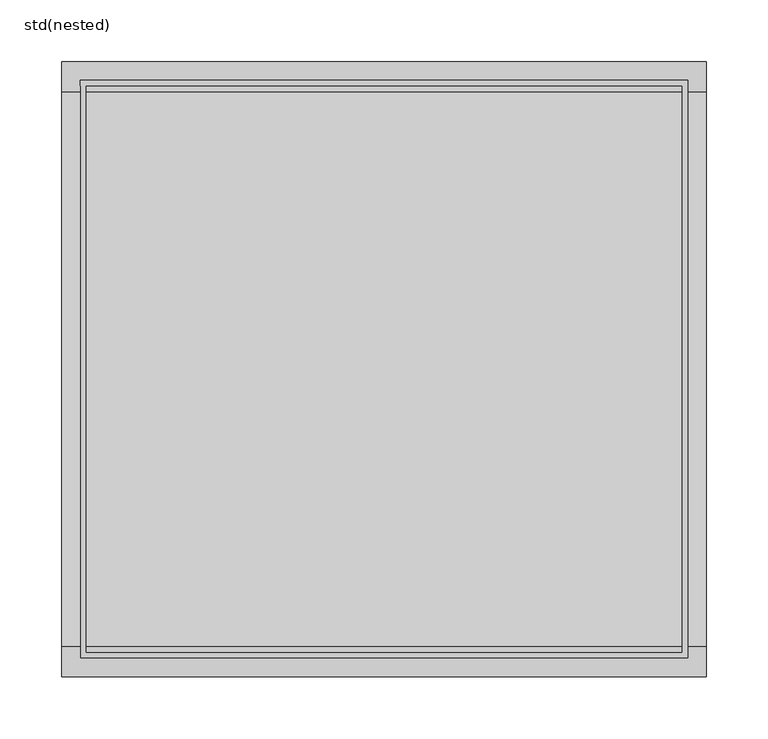
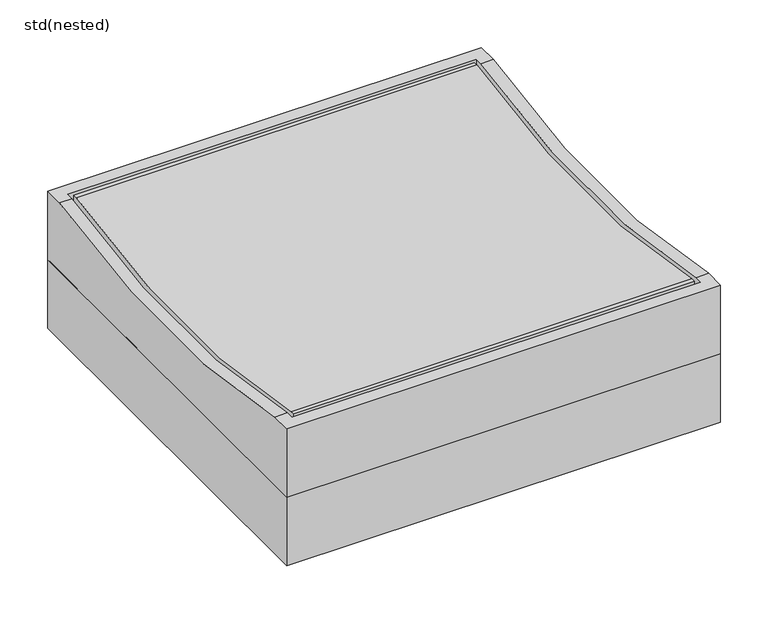
"""IFC4 building model written with IfcOpenShell, lengths in millimetres: sanitary terminal geometry, std(nested)."""

from ifc_helpers import new_model, si_unit, frame, origin, place, context, project, spatial, polyline, circle_curve, source, transform, mapped, element, save
from ifc_brep_helpers import plane_surface, cylinder_surface, revolved_surface, advanced_brep


def std_nested_b4cec3c0(model_context):
    return source(origin(), model_context, "Body", "AdvancedBrep", [
        advanced_brep(
        [(262.0, 250.0, -87.5), (262.0, -250.0, -87.5), (-262.0, -250.0, -87.5), (-262.0, 250.0, -87.5), (247.0, 235.0, -87.5), (-247.0, 235.0, -87.5), (-247.0, -235.0, -87.5), (247.0, -235.0, -87.5), (262.0, 250.0, 0.0), (-262.0, 250.0, 0.0), (-262.0, 225.5, 0.0), (-247.0, 225.5, 0.0), (-247.0, 235.0, 0.0), (247.0, 235.0, 0.0), (247.0, 225.5, 0.0), (262.0, 225.5, 0.0), (-262.0, -250.0, 0.0), (262.0, -250.0, 0.0), (262.0, -225.5, 0.0), (247.0, -225.5, 0.0), (247.0, -235.0, 0.0), (-247.0, -235.0, 0.0), (-247.0, -225.5, 0.0), (-262.0, -225.5, 0.0)],
        [
            (0, 1),
            (1, 2),
            (2, 3),
            (3, 0),
            (4, 5),
            (5, 6),
            (6, 7),
            (7, 4),
            (8, 9),
            (9, 10),
            (10, 11),
            (11, 12),
            (12, 13),
            (13, 14),
            (14, 15),
            (15, 8),
            (16, 17),
            (17, 18),
            (18, 19),
            (19, 20),
            (20, 21),
            (21, 22),
            (22, 23),
            (23, 16),
            (3, 9),
            (8, 0),
            (2, 16),
            (23, 10, circle_curve(frame((-262.0, 0.0, 984.5847035), z_axis=(1.0, 0.0, 0.0), x_axis=(0.0, 1.0, 0.0)), 1010.0778626)),
            (1, 17),
            (15, 18, circle_curve(frame((262.0, 0.0, 984.5847035), z_axis=(-1.0, 0.0, 0.0), x_axis=(0.0, 1.0, 0.0)), 1010.0778626)),
            (22, 11, circle_curve(frame((-247.0, 0.0, 984.5847035), z_axis=(1.0, 0.0, 0.0), x_axis=(0.0, 1.0, 0.0)), 1010.0778626)),
            (14, 19, circle_curve(frame((247.0, 0.0, 984.5847035), z_axis=(-1.0, 0.0, 0.0), x_axis=(0.0, 1.0, 0.0)), 1010.0778626)),
            (4, 13),
            (12, 5),
            (21, 6),
            (20, 7),
        ],
        [
            plane_surface(frame((-262.0, 250.0, -87.5), z_axis=(0.0, 0.0, -1.0), x_axis=(1.0, 0.0, 0.0))),
            plane_surface(frame((-262.0, 250.0, 0.0), z_axis=(0.0, 0.0, 1.0), x_axis=(-1.0, 0.0, 0.0))),
            plane_surface(frame((262.0, 250.0, 0.0), z_axis=(0.0, 1.0, 0.0), x_axis=(0.0, 0.0, -1.0))),
            plane_surface(frame((-262.0, 250.0, 0.0), z_axis=(-1.0, 0.0, 0.0), x_axis=(0.0, 0.0, -1.0))),
            plane_surface(frame((-262.0, -250.0, 0.0), z_axis=(0.0, -1.0, 0.0), x_axis=(0.0, 0.0, -1.0))),
            plane_surface(frame((262.0, -250.0, 0.0), z_axis=(1.0, 0.0, 0.0), x_axis=(0.0, 0.0, -1.0))),
            revolved_surface(polyline([(-247.0, 1010.0778626, 984.5847035), (-262.0, 1010.0778626, 984.5847035)]), (-277.1771208, 0.0, 984.5847035), (1.0, 0.0, 0.0)),
            revolved_surface(polyline([(262.0, 1010.0778626, 984.5847035), (247.0, 1010.0778626, 984.5847035)]), (-277.1771208, 0.0, 984.5847035), (1.0, 0.0, 0.0)),
            plane_surface(frame((247.0, 235.0, 0.5), z_axis=(0.0, -1.0, 0.0), x_axis=(0.0, 0.0, -1.0))),
            plane_surface(frame((-247.0, 235.0, 0.5), z_axis=(1.0, 0.0, 0.0), x_axis=(0.0, 0.0, -1.0))),
            plane_surface(frame((-247.0, -235.0, 0.5), z_axis=(0.0, 1.0, 0.0), x_axis=(0.0, 0.0, -1.0))),
            plane_surface(frame((247.0, -235.0, 0.5), z_axis=(-1.0, 0.0, 0.0), x_axis=(0.0, 0.0, -1.0))),
        ],
        [
            (0, [[1, 2, 3, 4], [5, 6, 7, 8]]),
            (1, [[9, 10, 11, 12, 13, 14, 15, 16]]),
            (1, [[17, 18, 19, 20, 21, 22, 23, 24]]),
            (2, [[-4, 25, -9, 26]]),
            (3, [[-3, 27, -24, 28, -10, -25]]),
            (4, [[-2, 29, -17, -27]]),
            (5, [[-1, -26, -16, 30, -18, -29]]),
            (6, [[-28, -23, 31, -11]]),
            (7, [[-30, -15, 32, -19]]),
            (8, [[33, -13, 34, -5]]),
            (9, [[-34, -12, -31, -22, 35, -6]]),
            (10, [[-35, -21, 36, -7]]),
            (11, [[-33, -8, -36, -20, -32, -14]]),
        ],
    ),
        advanced_brep(
        [(242.0, 230.0, -87.5), (242.0, -230.0, -87.5), (-242.0, -230.0, -87.5), (-242.0, 230.0, -87.5), (-242.0, 225.5, 0.0), (242.0, 225.5, 0.0), (242.0, 230.0, 0.0), (-242.0, 230.0, 0.0), (242.0, -225.5, 0.0), (-242.0, -225.5, 0.0), (-242.0, -230.0, 0.0), (242.0, -230.0, 0.0)],
        [
            (0, 1),
            (1, 2),
            (2, 3),
            (3, 0),
            (4, 5),
            (5, 6),
            (6, 7),
            (7, 4),
            (8, 9),
            (9, 10),
            (10, 11),
            (11, 8),
            (4, 9, circle_curve(frame((-242.0, 0.0, 984.5847035), z_axis=(-1.0, 0.0, 0.0), x_axis=(0.0, 1.0, 0.0)), 1010.0778626)),
            (8, 5, circle_curve(frame((242.0, 0.0, 984.5847035), z_axis=(1.0, 0.0, 0.0), x_axis=(0.0, 1.0, 0.0)), 1010.0778626)),
            (0, 6),
            (11, 1),
            (10, 2),
            (7, 3),
        ],
        [
            plane_surface(frame((-262.0, 250.0, -87.5), z_axis=(0.0, 0.0, -1.0), x_axis=(1.0, 0.0, 0.0))),
            plane_surface(frame((-262.0, 250.0, 0.0), z_axis=(0.0, 0.0, 1.0), x_axis=(-1.0, 0.0, 0.0))),
            revolved_surface(polyline([(242.0, 1010.0778626, 984.5847035), (-242.0, 1010.0778626, 984.5847035)]), (-277.1771208, 0.0, 984.5847035), (1.0, 0.0, 0.0)),
            plane_surface(frame((242.0, 230.0, 0.5), z_axis=(1.0, 0.0, 0.0), x_axis=(0.0, 0.0, -1.0))),
            plane_surface(frame((242.0, -230.0, 0.5), z_axis=(0.0, -1.0, 0.0), x_axis=(0.0, 0.0, -1.0))),
            plane_surface(frame((-242.0, -230.0, 0.5), z_axis=(-1.0, 0.0, 0.0), x_axis=(0.0, 0.0, -1.0))),
            plane_surface(frame((-242.0, 230.0, 0.5), z_axis=(0.0, 1.0, 0.0), x_axis=(0.0, 0.0, -1.0))),
        ],
        [
            (0, [[1, 2, 3, 4]]),
            (1, [[5, 6, 7, 8]]),
            (1, [[9, 10, 11, 12]]),
            (2, [[-5, 13, -9, 14]]),
            (3, [[15, -6, -14, -12, 16, -1]]),
            (4, [[-16, -11, 17, -2]]),
            (5, [[-17, -10, -13, -8, 18, -3]]),
            (6, [[-15, -4, -18, -7]]),
        ],
    ),
        advanced_brep(
        [(-262.0, 250.0, -175.0), (262.0, 250.0, -175.0), (262.0, -250.0, -175.0), (-262.0, -250.0, -175.0), (184.0, 0.0, -175.0), (-184.0, 0.0, -175.0), (-262.0, 250.0, -86.5), (-262.0, -250.0, -86.5), (262.0, -250.0, -86.5), (262.0, 250.0, -86.5), (176.0, 0.0, -86.5), (-176.0, 0.0, -86.5), (184.0, 0.0, -99.0), (-184.0, 0.0, -99.0), (-176.0, 0.0, -99.0), (176.0, 0.0, -99.0)],
        [
            (0, 1),
            (1, 2),
            (2, 3),
            (3, 0),
            (4, 5, circle_curve(frame((0.0, 0.0, -175.0), z_axis=(0.0, 0.0, 1.0), x_axis=(-1.0, 0.0, 0.0)), 184.0)),
            (5, 4, circle_curve(frame((0.0, 0.0, -175.0), z_axis=(0.0, 0.0, 1.0), x_axis=(-1.0, 0.0, 0.0)), 184.0)),
            (6, 7),
            (7, 8),
            (8, 9),
            (9, 6),
            (10, 11, circle_curve(frame((0.0, 0.0, -86.5), z_axis=(0.0, 0.0, -1.0), x_axis=(-1.0, 0.0, 0.0)), 176.0)),
            (11, 10, circle_curve(frame((0.0, 0.0, -86.5), z_axis=(0.0, 0.0, -1.0), x_axis=(-1.0, 0.0, 0.0)), 176.0)),
            (3, 7),
            (6, 0),
            (2, 8),
            (1, 9),
            (12, 13, circle_curve(frame((0.0, 0.0, -99.0), z_axis=(0.0, 0.0, -1.0), x_axis=(-1.0, 0.0, 0.0)), 184.0)),
            (13, 12, circle_curve(frame((0.0, 0.0, -99.0), z_axis=(0.0, 0.0, -1.0), x_axis=(-1.0, 0.0, 0.0)), 184.0)),
            (14, 15, circle_curve(frame((0.0, 0.0, -99.0), z_axis=(0.0, 0.0, 1.0), x_axis=(-1.0, 0.0, 0.0)), 176.0)),
            (15, 14, circle_curve(frame((0.0, 0.0, -99.0), z_axis=(0.0, 0.0, 1.0), x_axis=(-1.0, 0.0, 0.0)), 176.0)),
            (13, 5),
            (4, 12),
            (10, 15),
            (14, 11),
        ],
        [
            plane_surface(frame((-262.0, 250.0, -175.0), z_axis=(0.0, 0.0, -1.0), x_axis=(0.0, 1.0, 0.0))),
            plane_surface(frame((-262.0, 250.0, -86.5), z_axis=(0.0, 0.0, 1.0), x_axis=(0.0, -1.0, 0.0))),
            plane_surface(frame((-262.0, 250.0, -86.5), z_axis=(-1.0, 0.0, 0.0), x_axis=(0.0, 0.0, -1.0))),
            plane_surface(frame((-262.0, -250.0, -86.5), z_axis=(0.0, -1.0, 0.0), x_axis=(0.0, 0.0, -1.0))),
            plane_surface(frame((262.0, -250.0, -86.5), z_axis=(1.0, 0.0, 0.0), x_axis=(0.0, 0.0, -1.0))),
            plane_surface(frame((262.0, 250.0, -86.5), z_axis=(0.0, 1.0, 0.0), x_axis=(0.0, 0.0, -1.0))),
            plane_surface(frame((-184.0, 0.0, -99.0), z_axis=(0.0, 0.0, -1.0), x_axis=(0.0, -1.0, 0.0))),
            revolved_surface(polyline([(-184.0, 0.0, -99.0), (-184.0, 0.0, -175.0)]), (0.0, 0.0, -175.0), (0.0, 0.0, 1.0)),
            revolved_surface(polyline([(-176.0, 0.0, -99.0), (-176.0, 0.0, -86.5)]), (0.0, 0.0, -175.0), (0.0, 0.0, -1.0)),
        ],
        [
            (0, [[1, 2, 3, 4], [5, 6]]),
            (1, [[7, 8, 9, 10], [11, 12]]),
            (2, [[-4, 13, -7, 14]]),
            (3, [[-3, 15, -8, -13]]),
            (4, [[-2, 16, -9, -15]]),
            (5, [[-1, -14, -10, -16]]),
            (6, [[17, 18], [19, 20]]),
            (7, [[-18, 21, -5, 22]]),
            (7, [[-17, -22, -6, -21]]),
            (8, [[-11, 23, -19, 24]]),
            (8, [[-12, -24, -20, -23]]),
        ],
    ),
        advanced_brep(
        [(184.0, 0.0, -205.0), (-184.0, 0.0, -205.0), (175.5, 0.0, -205.0), (-175.5, 0.0, -205.0), (184.0, 0.0, -86.5), (-184.0, 0.0, -86.5), (175.5, 0.0, -86.5), (-175.5, 0.0, -86.5), (-175.5, 0.0, -175.0), (175.5, 0.0, -175.0), (175.5, 0.0, -99.0), (-175.5, 0.0, -99.0), (-184.0, 0.0, -175.0), (184.0, 0.0, -175.0), (184.0, 0.0, -99.0), (-184.0, 0.0, -99.0)],
        [
            (0, 1, circle_curve(frame((0.0, 0.0, -205.0), z_axis=(0.0, 0.0, -1.0), x_axis=(-1.0, 0.0, 0.0)), 184.0)),
            (1, 0, circle_curve(frame((0.0, 0.0, -205.0), z_axis=(0.0, 0.0, -1.0), x_axis=(-1.0, 0.0, 0.0)), 184.0)),
            (2, 3, circle_curve(frame((0.0, 0.0, -205.0), z_axis=(0.0, 0.0, 1.0), x_axis=(-1.0, 0.0, 0.0)), 175.5)),
            (3, 2, circle_curve(frame((0.0, 0.0, -205.0), z_axis=(0.0, 0.0, 1.0), x_axis=(-1.0, 0.0, 0.0)), 175.5)),
            (4, 5, circle_curve(frame((0.0, 0.0, -86.5), z_axis=(0.0, 0.0, 1.0), x_axis=(-1.0, 0.0, 0.0)), 184.0)),
            (5, 4, circle_curve(frame((0.0, 0.0, -86.5), z_axis=(0.0, 0.0, 1.0), x_axis=(-1.0, 0.0, 0.0)), 184.0)),
            (6, 7, circle_curve(frame((0.0, 0.0, -86.5), z_axis=(0.0, 0.0, -1.0), x_axis=(-1.0, 0.0, 0.0)), 175.5)),
            (7, 6, circle_curve(frame((0.0, 0.0, -86.5), z_axis=(0.0, 0.0, -1.0), x_axis=(-1.0, 0.0, 0.0)), 175.5)),
            (3, 8),
            (8, 9, circle_curve(frame((0.0, 0.0, -175.0), z_axis=(0.0, 0.0, 1.0), x_axis=(-1.0, 0.0, 0.0)), 175.5)),
            (9, 2),
            (6, 10),
            (10, 11, circle_curve(frame((0.0, 0.0, -99.0), z_axis=(0.0, 0.0, -1.0), x_axis=(-1.0, 0.0, 0.0)), 175.5)),
            (11, 7),
            (9, 8, circle_curve(frame((0.0, 0.0, -175.0), z_axis=(0.0, 0.0, 1.0), x_axis=(-1.0, 0.0, 0.0)), 175.5)),
            (11, 10, circle_curve(frame((0.0, 0.0, -99.0), z_axis=(0.0, 0.0, -1.0), x_axis=(-1.0, 0.0, 0.0)), 175.5)),
            (1, 12),
            (12, 13, circle_curve(frame((0.0, 0.0, -175.0), z_axis=(0.0, 0.0, -1.0), x_axis=(-1.0, 0.0, 0.0)), 184.0)),
            (13, 0),
            (4, 14),
            (14, 15, circle_curve(frame((0.0, 0.0, -99.0), z_axis=(0.0, 0.0, 1.0), x_axis=(-1.0, 0.0, 0.0)), 184.0)),
            (15, 5),
            (13, 12, circle_curve(frame((0.0, 0.0, -175.0), z_axis=(0.0, 0.0, -1.0), x_axis=(-1.0, 0.0, 0.0)), 184.0)),
            (15, 14, circle_curve(frame((0.0, 0.0, -99.0), z_axis=(0.0, 0.0, 1.0), x_axis=(-1.0, 0.0, 0.0)), 184.0)),
            (10, 9),
            (8, 11),
            (14, 13),
            (12, 15),
        ],
        [
            plane_surface(frame((-175.5, 0.0, -205.0), z_axis=(0.0, 0.0, -1.0), x_axis=(0.0, -1.0, 0.0))),
            plane_surface(frame((-175.5, 0.0, -86.5), z_axis=(0.0, 0.0, 1.0), x_axis=(0.0, 1.0, 0.0))),
            revolved_surface(polyline([(-175.5, 0.0, -205.0), (-175.5, 0.0, -175.0)]), (0.0, 0.0, -205.0), (0.0, 0.0, -1.0)),
            revolved_surface(polyline([(-175.5, 0.0, -99.0), (-175.5, 0.0, -86.5)]), (0.0, 0.0, -205.0), (0.0, 0.0, -1.0)),
            cylinder_surface(frame((0.0, 0.0, -175.0), z_axis=(0.0, 0.0, 1.0), x_axis=(-1.0, 0.0, 0.0)), 184.0),
            revolved_surface(polyline([(-175.5, 0.0, -175.0), (-175.5, 0.0, -99.0)]), (0.0, 0.0, -175.0), (0.0, 0.0, -1.0)),
        ],
        [
            (0, [[1, 2], [3, 4]]),
            (1, [[5, 6], [7, 8]]),
            (2, [[-4, 9, 10, 11]]),
            (3, [[-7, 12, 13, 14]]),
            (2, [[-3, -11, 15, -9]]),
            (3, [[-8, -14, 16, -12]]),
            (4, [[-2, 17, 18, 19]]),
            (4, [[-5, 20, 21, 22]]),
            (4, [[-1, -19, 23, -17]]),
            (4, [[-6, -22, 24, -20]]),
            (5, [[25, -10, 26, -13]]),
            (5, [[-25, -16, -26, -15]]),
            (4, [[27, -18, 28, -21]]),
            (4, [[-27, -24, -28, -23]]),
        ],
    ),
    ])


if __name__ == "__main__":
    model = new_model("IFC4")
    model_context = context("Model", 3, world=origin())
    ifc_project = project(units=[si_unit("LENGTHUNIT", "METRE", prefix="MILLI")], contexts=[model_context])
    site = spatial("IfcSite", under=ifc_project)
    building = spatial("IfcBuilding", under=site)
    placement = place(None, origin())
    std_nested_shape = std_nested_b4cec3c0(model_context)
    element("IfcSanitaryTerminal", 1, ObjectType="std(nested)", at=placement, inside=building, context=model_context, shape_type="MappedRepresentation", body=[
        mapped(std_nested_shape, transform((0.0, 0.0, 0.0), x_axis=(1.0, 0.0, 0.0), y_axis=(0.0, 1.0, 0.0), z_axis=(0.0, 0.0, 1.0))),
    ])
    save(model, "model.ifc")
